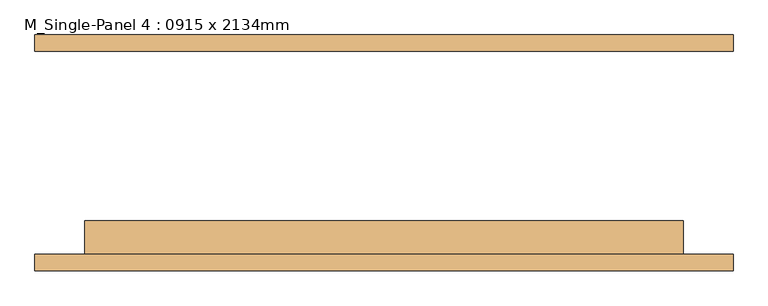
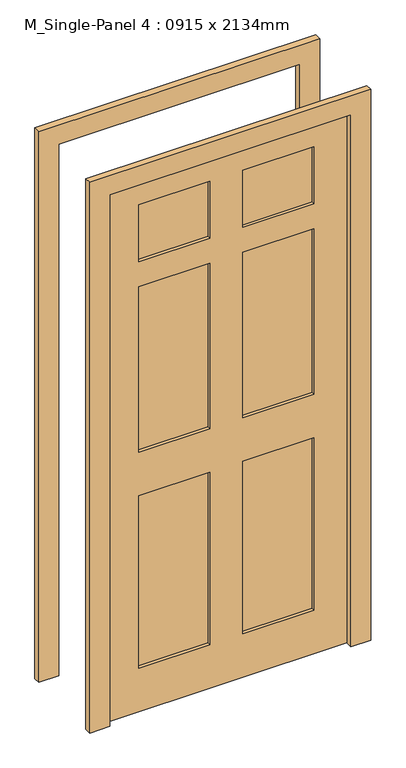
"""IFC4 building model written with IfcOpenShell, lengths in millimetres: door geometry, M_Single-Panel 4 : 0915 x 2134mm."""

from ifc_helpers import new_model, si_unit, frame, origin, place, context, project, spatial, polyline, outline, extrude, source, transform, mapped, element, save


def m_single_panel_4_0915_x_2134mm_9ca194a4(model_context):
    return source(origin(), model_context, "Body", "SweptSolid", [
        extrude(outline(polyline([(0.0, -533.5), (0.0, -457.5), (2134.0, -457.5), (2134.0, 457.5), (0.0, 457.5), (0.0, 533.5), (2210.0, 533.5), (2210.0, -533.5), (0.0, -533.5)])), frame((0.0, 155.0, 0.0), z_axis=(0.0, 1.0, 0.0), x_axis=(0.0, 0.0, 1.0)), (0.0, 0.0, 1.0), 25.0),
        extrude(outline(polyline([(0.0, 533.5), (2210.0, 533.5), (2210.0, -533.5), (0.0, -533.5), (0.0, -457.5), (2134.0, -457.5), (2134.0, 457.5), (0.0, 457.5), (0.0, 533.5)])), frame((0.0, -180.4, 0.0), z_axis=(0.0, 1.0, 0.0), x_axis=(0.0, 0.0, 1.0)), (0.0, 0.0, 1.0), 25.0),
        extrude(outline(polyline([(-62.5, -116.7), (-62.5, -142.3), (-332.5, -142.3), (-332.5, -116.7), (-62.5, -116.7)])), frame((0.0, 0.0, 1805.4), z_axis=(0.0, 0.0, 1.0), x_axis=(1.0, 0.0, 0.0)), (0.0, 0.0, 1.0), 228.6),
        extrude(outline(polyline([(332.5, -116.7), (332.5, -142.3), (62.5, -142.3), (62.5, -116.7), (332.5, -116.7)])), frame((0.0, 0.0, 1805.4), z_axis=(0.0, 0.0, 1.0), x_axis=(1.0, 0.0, 0.0)), (0.0, 0.0, 1.0), 228.6),
        extrude(outline(polyline([(-62.5, -116.7), (-62.5, -142.3), (-332.5, -142.3), (-332.5, -116.7), (-62.5, -116.7)])), frame((0.0, 0.0, 1041.4), z_axis=(0.0, 0.0, 1.0), x_axis=(1.0, 0.0, 0.0)), (0.0, 0.0, 1.0), 664.0),
        extrude(outline(polyline([(332.5, -116.7), (332.5, -142.3), (62.5, -142.3), (62.5, -116.7), (332.5, -116.7)])), frame((0.0, 0.0, 1041.4), z_axis=(0.0, 0.0, 1.0), x_axis=(1.0, 0.0, 0.0)), (0.0, 0.0, 1.0), 664.0),
        extrude(outline(polyline([(-62.5, -116.7), (-62.5, -142.3), (-332.5, -142.3), (-332.5, -116.7), (-62.5, -116.7)])), frame((0.0, 0.0, 175.0), z_axis=(0.0, 0.0, 1.0), x_axis=(1.0, 0.0, 0.0)), (0.0, 0.0, 1.0), 691.4),
        extrude(outline(polyline([(332.5, -116.7), (332.5, -142.3), (62.5, -142.3), (62.5, -116.7), (332.5, -116.7)])), frame((0.0, 0.0, 175.0), z_axis=(0.0, 0.0, 1.0), x_axis=(1.0, 0.0, 0.0)), (0.0, 0.0, 1.0), 691.4),
        extrude(outline(polyline([(2134.0, 457.5), (2134.0, -457.5), (0.0, -457.5), (0.0, 457.5), (2134.0, 457.5)]), holes=[polyline([(2034.0, -62.5), (1805.4, -62.5), (1805.4, -332.5), (2034.0, -332.5), (2034.0, -62.5)]), polyline([(2034.0, 332.5), (1805.4, 332.5), (1805.4, 62.5), (2034.0, 62.5), (2034.0, 332.5)]), polyline([(1705.4, -62.5), (1041.4, -62.5), (1041.4, -332.5), (1705.4, -332.5), (1705.4, -62.5)]), polyline([(1705.4, 332.5), (1041.4, 332.5), (1041.4, 62.5), (1705.4, 62.5), (1705.4, 332.5)]), polyline([(866.4, -62.5), (175.0, -62.5), (175.0, -332.5), (866.4, -332.5), (866.4, -62.5)]), polyline([(866.4, 332.5), (175.0, 332.5), (175.0, 62.5), (866.4, 62.5), (866.4, 332.5)])]), frame((0.0, -155.0, 0.0), z_axis=(0.0, 1.0, 0.0), x_axis=(0.0, 0.0, 1.0)), (0.0, 0.0, 1.0), 51.0),
    ])


if __name__ == "__main__":
    model = new_model("IFC4")
    model_context = context("Model", 3, world=origin())
    ifc_project = project(units=[si_unit("LENGTHUNIT", "METRE", prefix="MILLI")], contexts=[model_context])
    site = spatial("IfcSite", under=ifc_project)
    building = spatial("IfcBuilding", under=site)
    placement = place(None, origin())
    m_single_panel_4_0915_x_2134mm_shape = m_single_panel_4_0915_x_2134mm_9ca194a4(model_context)
    element("IfcDoor", 1, ObjectType="M_Single-Panel 4 : 0915 x 2134mm", at=placement, inside=building, context=model_context, shape_type="MappedRepresentation", body=[
        mapped(m_single_panel_4_0915_x_2134mm_shape, transform((0.0, 0.0, 0.0), x_axis=(1.0, 0.0, 0.0), y_axis=(0.0, 1.0, 0.0), z_axis=(0.0, 0.0, 1.0))),
    ])
    save(model, "model.ifc")
